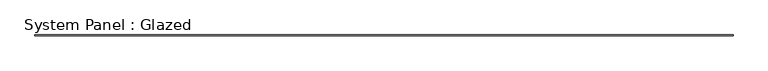
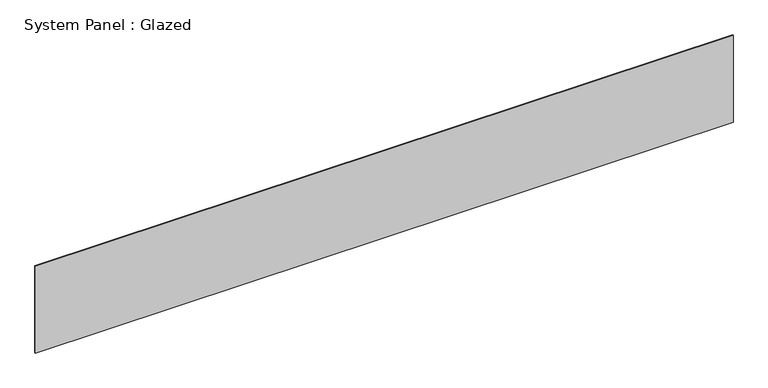
"""IFC4 building model written with IfcOpenShell, lengths in millimetres: plate geometry, System Panel : Glazed."""

from ifc_helpers import new_model, si_unit, origin, origin_with_axes, place, context, project, spatial, polyline, outline, extrude, source, transform, mapped, element, save


def system_panel_glazed_109f204e(model_context):
    return source(origin(), model_context, "Body", "SweptSolid", [
        extrude(outline(polyline([(10154.9999998, 24.5), (-10154.9999998, 24.5), (-10154.9999998, 49.5), (10154.9999998, 49.5), (10154.9999998, 24.5)])), origin_with_axes(), (0.0, 0.0, 1.0), 2666.6666667),
    ])


if __name__ == "__main__":
    model = new_model("IFC4")
    model_context = context("Model", 3, world=origin())
    ifc_project = project(units=[si_unit("LENGTHUNIT", "METRE", prefix="MILLI")], contexts=[model_context])
    site = spatial("IfcSite", under=ifc_project)
    building = spatial("IfcBuilding", under=site)
    placement = place(None, origin())
    system_panel_glazed_shape = system_panel_glazed_109f204e(model_context)
    element("IfcPlate", 1, ObjectType="System Panel : Glazed", at=placement, inside=building, context=model_context, shape_type="MappedRepresentation", body=[
        mapped(system_panel_glazed_shape, transform((0.0, 0.0, 0.0), x_axis=(1.0, 0.0, 0.0), y_axis=(0.0, 1.0, 0.0), z_axis=(0.0, 0.0, 1.0))),
    ])
    save(model, "model.ifc")
